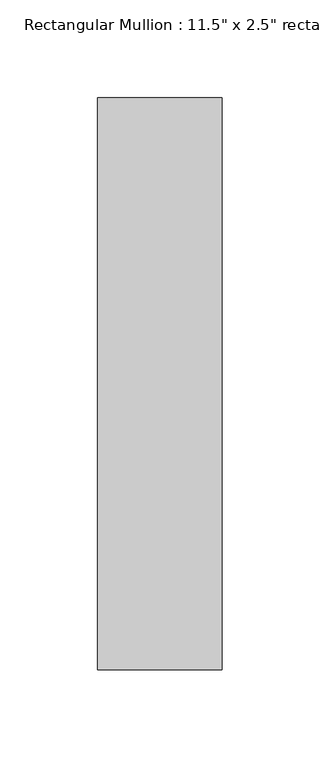
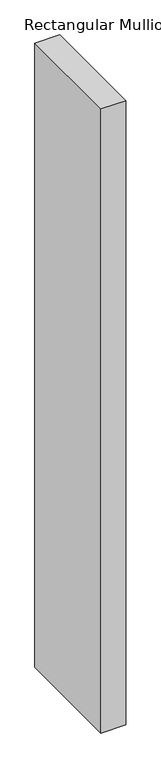
"""IFC4 building model written with IfcOpenShell, lengths in millimetres: member geometry."""

from ifc_helpers import new_model, si_unit, frame, origin, place, context, project, spatial, polyline, outline, extrude, source, transform, mapped, element, save


def member_e236c439(model_context):
    return source(origin(), model_context, "Body", "SweptSolid", [
        extrude(outline(polyline([(0.0, 203.2), (0.0, -88.9), (-63.5, -88.9), (-63.5, 203.2), (0.0, 203.2)])), frame((0.0, 0.0, -1685.0271838), z_axis=(0.0, 0.0, 1.0), x_axis=(1.0, 0.0, 0.0)), (0.0, 0.0, 1.0), 1685.0271838),
    ])


if __name__ == "__main__":
    model = new_model("IFC4")
    model_context = context("Model", 3, world=origin())
    ifc_project = project(units=[si_unit("LENGTHUNIT", "METRE", prefix="MILLI")], contexts=[model_context])
    site = spatial("IfcSite", under=ifc_project)
    building = spatial("IfcBuilding", under=site)
    placement = place(None, origin())
    member_shape = member_e236c439(model_context)
    element("IfcMember", 1, ObjectType="Rectangular Mullion : 11.5\" x 2.5\" rectangular", at=placement, inside=building, context=model_context, shape_type="MappedRepresentation", body=[
        mapped(member_shape, transform((0.0, 0.0, 0.0), x_axis=(1.0, 0.0, 0.0), y_axis=(0.0, 1.0, 0.0), z_axis=(0.0, 0.0, 1.0))),
    ])
    save(model, "model.ifc")
